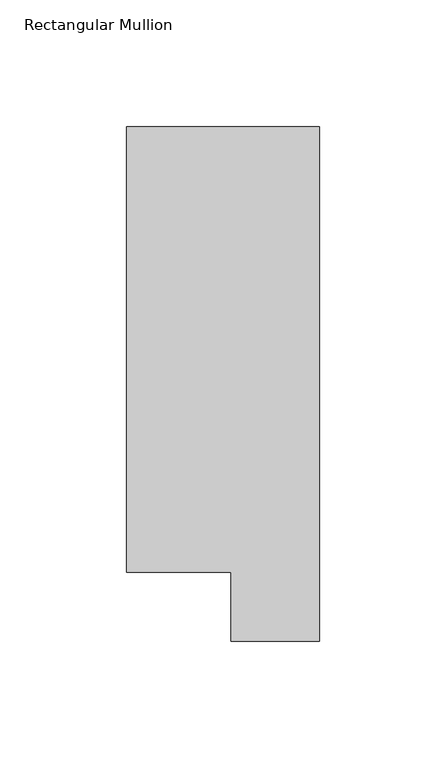
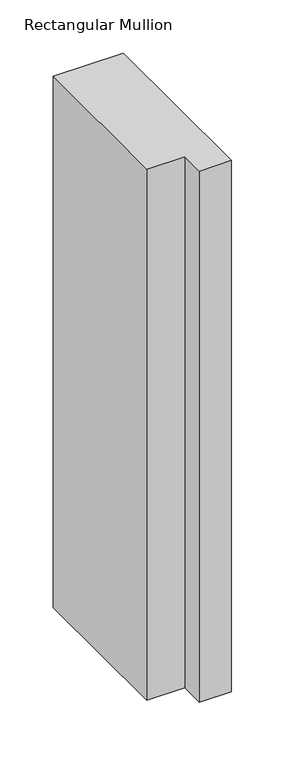
"""IFC4 building model written with IfcOpenShell, lengths in millimetres: member geometry, Rectangular Mullion."""

import ifcopenshell
import ifcopenshell.guid

model = None  # the IFC model being written
_history = None  # IfcOwnerHistory: only IFC2X3 demands one
_inside = {}  # id of a spatial element -> (the spatial element, [elements in it])
_under = {}  # id of a project, library or spatial element -> (it, [spatial elements below it])
_declared = {}  # id of a project -> (the project, [libraries it declares])
_typed = {}  # id of a type object -> (the type object, [elements of that type])
_made_of = {}  # id of a material, layer set ... -> (it, [elements and type objects made of it])


def new_model(schema):
    """Start an empty IFC model of exactly this schema.

    Asked for "IFC4X3", IfcOpenShell would pick the latest addendum, in which some entities
    have other attributes; the version numbers below select the first issue.
    IFC2X3 requires an IfcOwnerHistory on every rooted entity: one is made here for all.
    """
    global model, _history
    if schema == "IFC4X3":
        model = ifcopenshell.file(schema_version=(4, 3, 0, 0))
    else:
        model = ifcopenshell.file(schema=schema)
    _inside.clear()
    _under.clear()
    _declared.clear()
    _typed.clear()
    _made_of.clear()
    _history = None
    if model.schema == "IFC2X3":
        org = make("IfcOrganization", Name="unknown")
        user = make(
            "IfcPersonAndOrganization",
            ThePerson=make("IfcPerson", FamilyName="unknown"),
            TheOrganization=org,
        )
        app = make(
            "IfcApplication",
            ApplicationDeveloper=org,
            Version="unknown",
            ApplicationFullName="unknown",
            ApplicationIdentifier="unknown",
        )
        _history = make(
            "IfcOwnerHistory",
            OwningUser=user,
            OwningApplication=app,
            ChangeAction="ADDED",
            CreationDate=0,
        )
    return model


def make(cls, **values):
    """One entity of the class cls with the attributes given. An attribute that is None is left unset."""
    return model.create_entity(
        cls, **{name: value for name, value in values.items() if value is not None}
    )


def rooted(cls, **values):
    """An entity with a GlobalId (a new one), such as an element, a storey or a relation."""
    return make(cls, GlobalId=ifcopenshell.guid.new(), OwnerHistory=_history, **values)


def si_unit(unit_type, name, prefix=None):
    """IfcSIUnit, for example si_unit("LENGTHUNIT", "METRE", prefix="MILLI")."""
    return make("IfcSIUnit", UnitType=unit_type, Prefix=prefix, Name=name)


def assignment(units):
    """IfcUnitAssignment: the units of a project."""
    return None if units is None else make("IfcUnitAssignment", Units=units)


def point(xyz):
    """IfcCartesianPoint."""
    return None if xyz is None else make("IfcCartesianPoint", Coordinates=xyz)


def direction(xyz):
    """IfcDirection."""
    return None if xyz is None else make("IfcDirection", DirectionRatios=xyz)


def frame(location, z_axis=None, x_axis=None):
    """IfcAxis2Placement3D, a coordinate frame: its origin and axes. An axis left out is left unset."""
    return make(
        "IfcAxis2Placement3D",
        Location=point(location),
        Axis=direction(z_axis),
        RefDirection=direction(x_axis),
    )


def origin():
    """The frame at (0, 0, 0) with its axes left unset."""
    return frame((0.0, 0.0, 0.0))


def place(relative_to, where):
    """IfcLocalPlacement: puts the frame where relative to a parent placement (None: the world)."""
    return make(
        "IfcLocalPlacement", PlacementRelTo=relative_to, RelativePlacement=where
    )


def context(
    kind, dimensions, precision=None, world=None, true_north=None, identifier=None
):
    """IfcGeometricRepresentationContext, for example the 3D "Model" context."""
    return make(
        "IfcGeometricRepresentationContext",
        ContextIdentifier=identifier,
        ContextType=kind,
        CoordinateSpaceDimension=dimensions,
        Precision=precision,
        WorldCoordinateSystem=world,
        TrueNorth=true_north,
    )


def project(units=None, contexts=None):
    """IfcProject with its units and contexts."""
    return rooted(
        "IfcProject",
        Name="project",
        RepresentationContexts=contexts,
        UnitsInContext=assignment(units),
    )


def spatial(cls, under=None, at=None, **own):
    """A site, building, storey or space (cls), placed at a placement, below another one or the project."""
    s = rooted(cls, ObjectPlacement=at, **own)
    if under is not None:
        _under.setdefault(under.id(), (under, []))[1].append(s)
    return s


def polyline(points):
    """IfcPolyline through the points."""
    return make("IfcPolyline", Points=[point(p) for p in points])


def outline(outer, holes=None, kind="AREA"):
    """IfcArbitraryClosedProfileDef: a profile drawn as a closed curve; with holes, ...WithVoids."""
    if holes is None:
        return make("IfcArbitraryClosedProfileDef", ProfileType=kind, OuterCurve=outer)
    return make(
        "IfcArbitraryProfileDefWithVoids",
        ProfileType=kind,
        OuterCurve=outer,
        InnerCurves=holes,
    )


def extrude(swept, where, along, depth):
    """IfcExtrudedAreaSolid: the profile swept, set in the frame where, extruded along a direction by depth."""
    return make(
        "IfcExtrudedAreaSolid",
        SweptArea=swept,
        Position=where,
        ExtrudedDirection=direction(along),
        Depth=depth,
    )


def shape(context_of_items, identifier, shape_type, items):
    """IfcShapeRepresentation: the items that make up one representation, for example the "Body"."""
    return make(
        "IfcShapeRepresentation",
        ContextOfItems=context_of_items,
        RepresentationIdentifier=identifier,
        RepresentationType=shape_type,
        Items=items,
    )


def source(mapping_origin, context_of_items, identifier, shape_type, items):
    """IfcRepresentationMap: a shape defined once, which mapped items show again and again."""
    return make(
        "IfcRepresentationMap",
        MappingOrigin=mapping_origin,
        MappedRepresentation=shape(context_of_items, identifier, shape_type, items),
    )


def transform(
    local_origin,
    x_axis=None,
    y_axis=None,
    z_axis=None,
    scale=None,
    scale2=None,
    scale3=None,
    uniform=True,
):
    """IfcCartesianTransformationOperator3D, or its non-uniform kind. x_axis, y_axis, z_axis: its Axis1, 2, 3."""
    if uniform:
        return make(
            "IfcCartesianTransformationOperator3D",
            Axis1=direction(x_axis),
            Axis2=direction(y_axis),
            LocalOrigin=point(local_origin),
            Scale=scale,
            Axis3=direction(z_axis),
        )
    return make(
        "IfcCartesianTransformationOperator3DnonUniform",
        Axis1=direction(x_axis),
        Axis2=direction(y_axis),
        LocalOrigin=point(local_origin),
        Scale=scale,
        Axis3=direction(z_axis),
        Scale2=scale2,
        Scale3=scale3,
    )


def mapped(mapping_source, mapping_target):
    """IfcMappedItem: shows the shape of a source again, moved by a transform."""
    return make(
        "IfcMappedItem", MappingSource=mapping_source, MappingTarget=mapping_target
    )


def made_of(thing, what):
    """Note that an element or type object is made of a material, layer set ...; save() writes the relation."""
    if what is not None:
        _made_of.setdefault(what.id(), (what, []))[1].append(thing)
    return thing


def element(
    cls,
    number,
    at=None,
    inside=None,
    cuts=None,
    type_object=None,
    material=None,
    context=None,
    identifier="Body",
    shape_type=None,
    held_by="IfcProductDefinitionShape",
    body=None,
    shapes=None,
    **own,
):
    """One element of the class cls, such as IfcWall. Its Tag is "e" and its number.

    at: its placement. inside: the storey or other place that contains it. cuts: it is an
    opening in that element (IfcRelVoidsElement). A single representation is given by context,
    identifier, shape_type and body (its items); several are given by shapes. held_by: the class
    of the entity that holds the representations. save() writes the other relations.
    """
    e = rooted(cls, Tag="e%d" % number, ObjectPlacement=at, **own)
    if body is not None:
        shapes = [shape(context, identifier, shape_type, body)]
    if shapes is not None:
        e.Representation = make(held_by, Representations=shapes)
    if inside is not None:
        _inside.setdefault(inside.id(), (inside, []))[1].append(e)
    if cuts is not None:
        rooted(
            "IfcRelVoidsElement", RelatingBuildingElement=cuts, RelatedOpeningElement=e
        )
    if type_object is not None:
        _typed.setdefault(type_object.id(), (type_object, []))[1].append(e)
    return made_of(e, material)


def aggregate(whole, parts):
    """IfcRelAggregates: a whole, such as a stair, and the parts it consists of."""
    return rooted("IfcRelAggregates", RelatingObject=whole, RelatedObjects=parts)


def save(model, path):
    """Write the relations noted so far, then the file.

    IfcRelAggregates (storeys below a building ...), IfcRelContainedInSpatialStructure (elements
    in a storey), IfcRelDefinesByType, IfcRelAssociatesMaterial and IfcRelDeclares: one each for
    every whole, place, type object, material and project.
    """
    for whole, parts in _under.values():
        aggregate(whole, parts)
    for where, things in _inside.values():
        rooted(
            "IfcRelContainedInSpatialStructure",
            RelatedElements=things,
            RelatingStructure=where,
        )
    for kind, things in _typed.values():
        rooted("IfcRelDefinesByType", RelatedObjects=things, RelatingType=kind)
    for what, things in _made_of.values():
        rooted("IfcRelAssociatesMaterial", RelatedObjects=things, RelatingMaterial=what)
    for by, libraries in _declared.values():
        rooted("IfcRelDeclares", RelatingContext=by, RelatedDefinitions=libraries)
    model.write(path)


def rectangular_mullion_eff30d21(model_context):
    return source(origin(), model_context, "Body", "SweptSolid", [
        extrude(outline(polyline([(0.0, 222.5381312), (0.0, 19.5667312), (-34.9123, 19.5667312), (-34.9123, 46.7447302), (-76.2, 46.7447302), (-76.2, 222.5381312), (0.0, 222.5381312)])), frame((0.0, 0.0, -609.56825), z_axis=(0.0, 0.0, 1.0), x_axis=(1.0, 0.0, 0.0)), (0.0, 0.0, 1.0), 609.56825),
    ])


if __name__ == "__main__":
    model = new_model("IFC4")
    model_context = context("Model", 3, world=origin())
    ifc_project = project(units=[si_unit("LENGTHUNIT", "METRE", prefix="MILLI")], contexts=[model_context])
    site = spatial("IfcSite", under=ifc_project)
    building = spatial("IfcBuilding", under=site)
    placement = place(None, origin())
    rectangular_mullion_shape = rectangular_mullion_eff30d21(model_context)
    element("IfcMember", 1, ObjectType="Rectangular Mullion", at=placement, inside=building, context=model_context, shape_type="MappedRepresentation", body=[
        mapped(rectangular_mullion_shape, transform((0.0, 0.0, 0.0), x_axis=(1.0, 0.0, 0.0), y_axis=(0.0, 1.0, 0.0), z_axis=(0.0, 0.0, 1.0))),
    ])
    save(model, "model.ifc")
